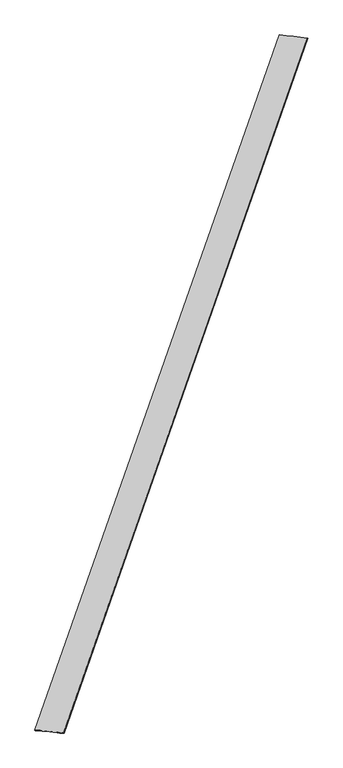
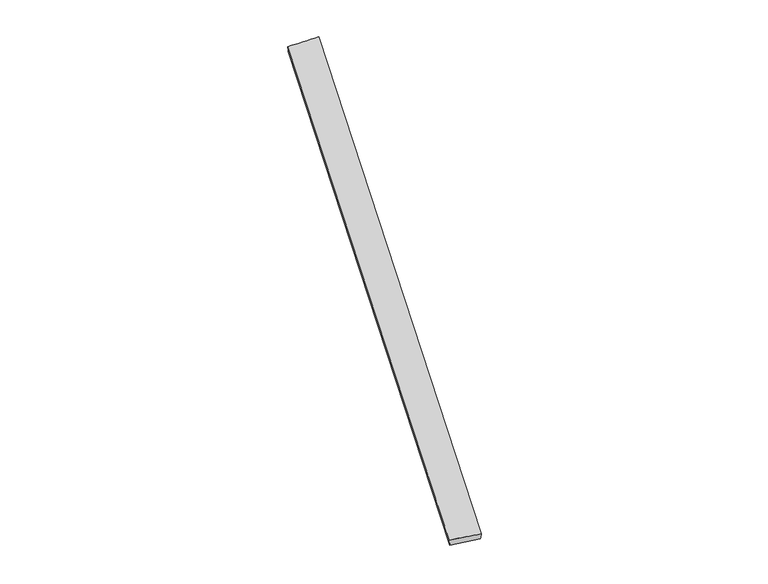
"""IFC4 building model written with IfcOpenShell, lengths in millimetres: proxy geometry."""

from ifc_helpers import new_model, si_unit, origin, place, context, project, spatial, source, transform, mapped, element, save
from ifc_brep_helpers import spline_surface, advanced_brep


def generic_models_5433061c(model_context):
    return source(origin(), model_context, "Body", "AdvancedBrep", [
        advanced_brep(
        [(-706.4215071, -1789.6011513, 6.1548003), (-707.5408285, -1789.1133537, 36.1299429), (693.0082579, 2185.6562969, 23.7246159), (695.1868875, 2184.7951315, -6.183777), (-539.0758461, -1804.1341416, 23.3876242), (852.8789192, 2167.8498378, 36.0960637), (-543.9275419, -1802.3321319, -6.1625671), (855.1621615, 2167.1381517, 6.1915439)],
        [
            (0, 1),
            (1, 2),
            (2, 3),
            (3, 0),
            (1, 4),
            (4, 5),
            (5, 2),
            (4, 6),
            (6, 7),
            (7, 5),
            (6, 0),
            (3, 7),
        ],
        [
            spline_surface(1, 1, [[(-706.4215071, -1789.6011513, 6.1548003), (695.1868875, 2184.7951315, -6.183777)], [(-707.5408285, -1789.1133537, 36.1299429), (693.0082579, 2185.6562969, 23.7246159)]], [2, 2], [2, 2], [0.0, 1.0], [0.0, 1.0]),
            spline_surface(1, 1, [[(-707.5408285, -1789.1133537, 36.1299429), (693.0082579, 2185.6562969, 23.7246159)], [(-539.0758461, -1804.1341416, 23.3876242), (852.8789192, 2167.8498378, 36.0960637)]], [2, 2], [2, 2], [0.0, 1.0], [0.0, 1.0]),
            spline_surface(1, 1, [[(-539.0758461, -1804.1341416, 23.3876242), (852.8789192, 2167.8498378, 36.0960637)], [(-543.9275419, -1802.3321319, -6.1625671), (855.1621615, 2167.1381517, 6.1915439)]], [2, 2], [2, 2], [0.0, 1.0], [0.0, 1.0]),
            spline_surface(1, 1, [[(-543.9275419, -1802.3321319, -6.1625671), (855.1621615, 2167.1381517, 6.1915439)], [(-706.4215071, -1789.6011513, 6.1548003), (695.1868875, 2184.7951315, -6.183777)]], [2, 2], [2, 2], [0.0, 1.0], [0.0, 1.0]),
            spline_surface(1, 1, [[(693.0082579, 2185.6562969, 23.7246159), (695.1868875, 2184.7951315, -6.183777)], [(852.8789192, 2167.8498378, 36.0960637), (855.1621615, 2167.1381517, 6.1915439)]], [2, 2], [2, 2], [0.0, 1.0], [0.0, 1.0]),
            spline_surface(1, 1, [[(-543.9275419, -1802.3321319, -6.1625671), (-706.4215071, -1789.6011513, 6.1548003)], [(-539.0758461, -1804.1341416, 23.3876242), (-707.5408285, -1789.1133537, 36.1299429)]], [2, 2], [2, 2], [0.0, 1.0], [0.0, 1.0]),
        ],
        [
            (0, [[1, 2, 3, 4]]),
            (1, [[5, 6, 7, -2]]),
            (2, [[8, 9, 10, -6]]),
            (3, [[11, -4, 12, -9]]),
            (4, [[-3, -7, -10, -12]]),
            (5, [[-11, -8, -5, -1]]),
        ],
    ),
    ])


if __name__ == "__main__":
    model = new_model("IFC4")
    model_context = context("Model", 3, world=origin())
    ifc_project = project(units=[si_unit("LENGTHUNIT", "METRE", prefix="MILLI")], contexts=[model_context])
    site = spatial("IfcSite", under=ifc_project)
    building = spatial("IfcBuilding", under=site)
    placement = place(None, origin())
    generic_models_shape = generic_models_5433061c(model_context)
    element("IfcBuildingElementProxy", 1, Name="Generic Models", at=placement, inside=building, context=model_context, shape_type="MappedRepresentation", body=[
        mapped(generic_models_shape, transform((0.0, 0.0, 0.0), x_axis=(1.0, 0.0, 0.0), y_axis=(0.0, 1.0, 0.0), z_axis=(0.0, 0.0, 1.0))),
    ])
    save(model, "model.ifc")
